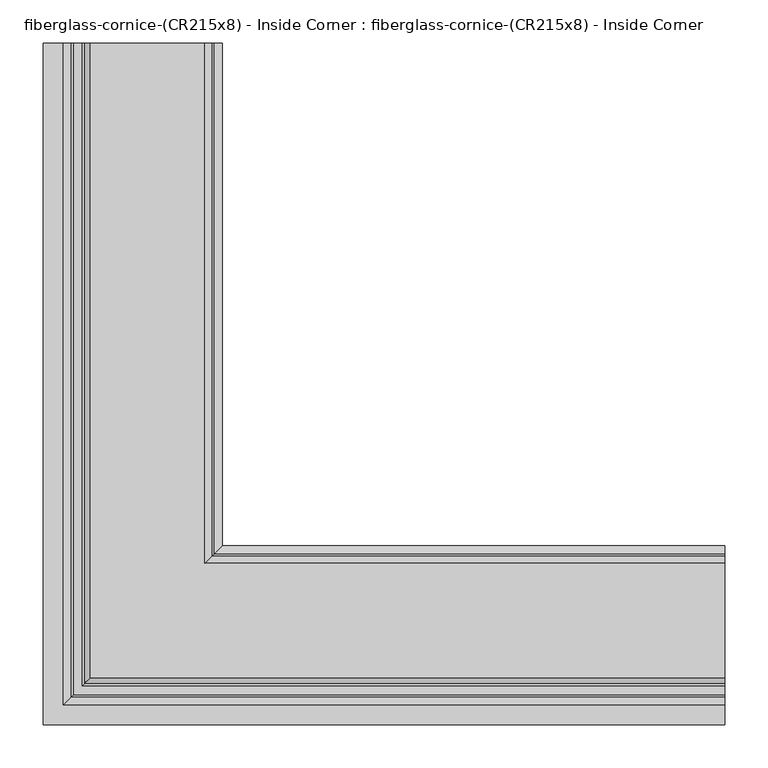
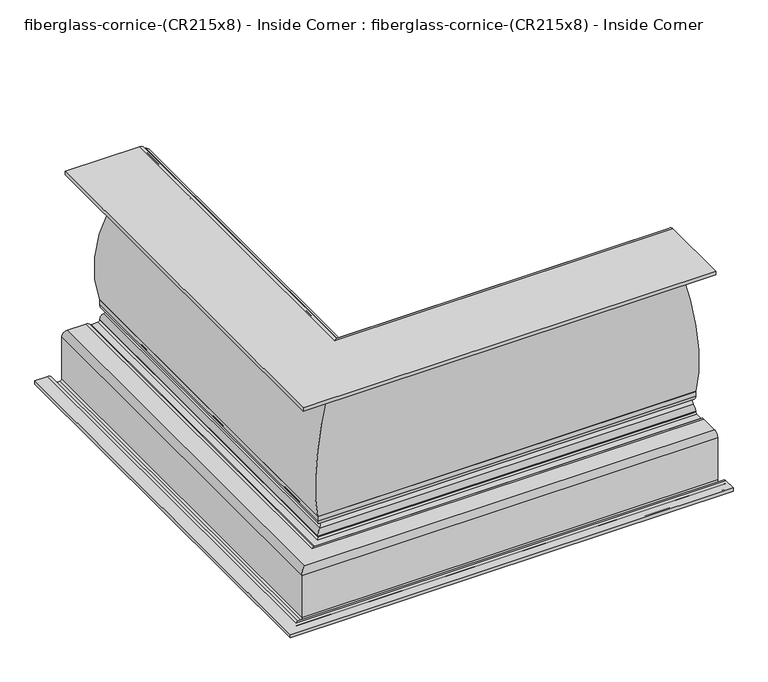
"""IFC4 building model written with IfcOpenShell, lengths in millimetres: furniture geometry, fiberglass-cornice-(CR215x8) - Inside Corner : fiberglass-cornice-(CR215x8) - Inside Corner."""

from ifc_helpers import new_model, si_unit, frame, origin, place, context, project, spatial, polyline, circle_curve, ellipse_curve, source, transform, mapped, element, save
from ifc_brep_helpers import plane_surface, cylinder_surface, revolved_surface, advanced_brep


def fiberglass_cornice_cr215x8_inside_corner_fiberglass_cornice_11849a52(model_context):
    return source(origin(), model_context, "Body", "AdvancedBrep", [
        advanced_brep(
        [(-207.2335432, 888.603125, 330.1999904), (-198.7931331, 888.603125, 325.0891838), (-196.8173143, 888.603125, 323.4980719), (-196.8173143, 888.603125, 297.677331), (-199.1546631, 888.603125, 294.6148214), (-199.1546631, 888.603125, 290.8692838), (-200.4833835, 888.603125, 288.2862862), (-272.2999173, 888.603125, 68.5084098), (-272.140178, 888.603125, 67.5140115), (-272.140178, 888.603125, 58.2311008), (-269.792569, 888.603125, 55.1658033), (-269.792569, 888.603125, 32.9172717), (-272.140178, 888.603125, 29.8519741), (-272.1996682, 888.603125, 28.2040064), (-281.665178, 888.603125, 19.7419033), (-293.7322224, 888.603125, 19.7419033), (-300.8805344, 888.603125, 22.9718846), (-303.2633051, 888.603125, 24.048545), (-336.4165526, 888.603125, 24.048545), (-339.5915526, 888.603125, 20.873545), (-339.5915526, 888.603125, -58.304862), (-349.1165526, 888.603125, -67.829862), (-358.7749938, 888.603125, -67.829862), (-368.2999938, 888.603125, -58.304862), (-368.2999938, 888.603125, -53.9258182), (-371.4749938, 888.603125, -50.7508182), (-393.6999938, 888.603125, -50.7508182), (-393.6999938, 888.603125, -44.4008182), (-371.4749938, 888.603125, -44.4008182), (-361.9499938, 888.603125, -53.9258182), (-361.9499938, 888.603125, -58.304862), (-358.7749938, 888.603125, -61.479862), (-349.1165526, 888.603125, -61.479862), (-345.9415526, 888.603125, -58.304862), (-345.9415526, 888.603125, 20.873545), (-336.4165526, 888.603125, 30.398545), (-303.2633051, 888.603125, 30.398545), (-296.114993, 888.603125, 27.1685637), (-293.7322224, 888.603125, 26.0919033), (-281.665178, 888.603125, 26.0919033), (-278.5540476, 888.603125, 28.6332686), (-278.490178, 888.603125, 29.8519741), (-271.447351, 888.603125, 39.0478668), (-271.447351, 888.603125, 49.0352082), (-278.490178, 888.603125, 58.2311008), (-278.490178, 888.603125, 66.5021977), (-278.6449592, 888.603125, 67.4814337), (-206.7822896, 888.603125, 291.5576289), (-205.4971578, 888.603125, 294.2367745), (-198.4926168, 888.603125, 303.8023503), (-198.4926168, 888.603125, 317.3730526), (-204.4200732, 888.603125, 322.1463882), (-207.2335432, 888.603125, 323.8499904), (-339.5915526, 888.603125, 323.8499904), (-339.5915526, 888.603125, 330.1999904), (393.6999938, 287.6695757, 330.1999904), (393.6999938, 155.3115662, 330.1999904), (393.6999938, 155.3115662, 323.8499904), (393.6999938, 287.6695757, 323.8499904), (393.6999938, 290.4830457, 322.1463882), (393.6999938, 296.4105021, 317.3730526), (393.6999938, 296.4105021, 303.8023503), (393.6999938, 289.405961, 294.2367745), (393.6999938, 288.1208292, 291.5576289), (393.6999938, 216.2581597, 67.4814337), (393.6999938, 216.4129409, 66.5021977), (393.6999938, 216.4129409, 58.2311008), (393.6999938, 223.4557678, 49.0352082), (393.6999938, 223.4557678, 39.0478668), (393.6999938, 216.4129409, 29.8519741), (393.6999938, 216.3490712, 28.6332686), (393.6999938, 213.2379409, 26.0919033), (393.6999938, 201.1708965, 26.0919033), (393.6999938, 198.7881258, 27.1685637), (393.6999938, 191.6398138, 30.398545), (393.6999938, 158.4865662, 30.398545), (393.6999938, 148.9615662, 20.873545), (393.6999938, 148.9615662, -58.304862), (393.6999938, 145.7865662, -61.479862), (393.6999938, 136.128125, -61.479862), (393.6999938, 132.953125, -58.304862), (393.6999938, 132.953125, -53.9258182), (393.6999938, 123.428125, -44.4008182), (393.6999938, 101.203125, -44.4008182), (393.6999938, 101.203125, -50.7508182), (393.6999938, 123.428125, -50.7508182), (393.6999938, 126.603125, -53.9258182), (393.6999938, 126.603125, -58.304862), (393.6999938, 136.128125, -67.829862), (393.6999938, 145.7865662, -67.829862), (393.6999938, 155.3115662, -58.304862), (393.6999938, 155.3115662, 20.873545), (393.6999938, 158.4865662, 24.048545), (393.6999938, 191.6398138, 24.048545), (393.6999938, 194.0225845, 22.9718846), (393.6999938, 201.1708965, 19.7419033), (393.6999938, 213.2379409, 19.7419033), (393.6999938, 222.7034506, 28.2040064), (393.6999938, 222.7629409, 29.8519741), (393.6999938, 225.1105499, 32.9172717), (393.6999938, 225.1105499, 55.1658033), (393.6999938, 222.7629409, 58.2311008), (393.6999938, 222.7629409, 67.5140115), (393.6999938, 222.6032016, 68.5084098), (393.6999938, 294.4197354, 288.2862862), (393.6999938, 295.7484557, 290.8692838), (393.6999938, 295.7484557, 294.6148214), (393.6999938, 298.0858045, 297.677331), (393.6999938, 298.0858045, 323.4980719), (393.6999938, 296.1099857, 325.0891838), (-207.2335432, 287.6695757, 330.1999904), (-198.7931331, 296.1099857, 325.0891838), (-196.8173143, 298.0858045, 323.4980719), (-196.8173143, 298.0858045, 297.677331), (-199.1546631, 295.7484557, 294.6148214), (-199.1546631, 295.7484557, 290.8692838), (-200.4833835, 294.4197354, 288.2862862), (-272.2999173, 222.6032016, 68.5084098), (-272.140178, 222.7629409, 67.5140115), (-272.140178, 222.7629409, 58.2311008), (-269.792569, 225.1105499, 55.1658033), (-269.792569, 225.1105499, 32.9172717), (-272.140178, 222.7629409, 29.8519741), (-272.1996682, 222.7034506, 28.2040064), (-281.665178, 213.2379409, 19.7419033), (-293.7322224, 201.1708965, 19.7419033), (-300.8805344, 194.0225845, 22.9718846), (-303.2633051, 191.6398138, 24.048545), (-336.4165526, 158.4865662, 24.048545), (-339.5915526, 155.3115662, 20.873545), (-339.5915526, 155.3115662, -58.304862), (-349.1165526, 145.7865662, -67.829862), (-358.7749938, 136.128125, -67.829862), (-368.2999938, 126.603125, -58.304862), (-368.2999938, 126.603125, -53.9258182), (-371.4749938, 123.428125, -50.7508182), (-393.6999938, 101.203125, -50.7508182), (-393.6999938, 101.203125, -44.4008182), (-371.4749938, 123.428125, -44.4008182), (-361.9499938, 132.953125, -53.9258182), (-361.9499938, 132.953125, -58.304862), (-358.7749938, 136.128125, -61.479862), (-349.1165526, 145.7865662, -61.479862), (-345.9415526, 148.9615662, -58.304862), (-345.9415526, 148.9615662, 20.873545), (-336.4165526, 158.4865662, 30.398545), (-303.2633051, 191.6398138, 30.398545), (-296.114993, 198.7881258, 27.1685637), (-293.7322224, 201.1708965, 26.0919033), (-281.665178, 213.2379409, 26.0919033), (-278.5540476, 216.3490712, 28.6332686), (-278.490178, 216.4129409, 29.8519741), (-271.447351, 223.4557678, 39.0478668), (-271.447351, 223.4557678, 49.0352082), (-278.490178, 216.4129409, 58.2311008), (-278.490178, 216.4129409, 66.5021977), (-278.6449592, 216.2581597, 67.4814337), (-206.7822896, 288.1208292, 291.5576289), (-205.4971578, 289.405961, 294.2367745), (-198.4926168, 296.4105021, 303.8023503), (-198.4926168, 296.4105021, 317.3730526), (-204.4200732, 290.4830457, 322.1463882), (-207.2335432, 287.6695757, 323.8499904), (-339.5915526, 155.3115662, 323.8499904), (-339.5915526, 155.3115662, 330.1999904)],
        [
            (0, 1, circle_curve(frame((-207.2335432, 888.603125, 320.6749904), z_axis=(0.0, 1.0, 0.0), x_axis=(1.0, 0.0, 0.0)), 9.525)),
            (1, 2, circle_curve(frame((-195.9796631, 888.603125, 326.5605816), z_axis=(0.0, -1.0, 0.0), x_axis=(1.0, 0.0, 0.0)), 3.175)),
            (2, 3, circle_curve(frame((-200.3485318, 888.603125, 310.5877015), z_axis=(0.0, 1.0, 0.0), x_axis=(1.0, 0.0, 0.0)), 13.3845867)),
            (3, 4, circle_curve(frame((-195.9796631, 888.603125, 294.6148214), z_axis=(0.0, -1.0, 0.0), x_axis=(1.0, 0.0, 0.0)), 3.175)),
            (4, 5),
            (5, 6, circle_curve(frame((-202.3296631, 888.603125, 290.8692838), z_axis=(0.0, 1.0, 0.0), x_axis=(1.0, 0.0, 0.0)), 3.175)),
            (6, 7, circle_curve(frame((-87.0569043, 888.603125, 129.5994252), z_axis=(0.0, -1.0, 0.0), x_axis=(1.0, 0.0, 0.0)), 195.0566226)),
            (7, 8, circle_curve(frame((-275.315178, 888.603125, 67.5140115), z_axis=(0.0, 1.0, 0.0), x_axis=(1.0, 0.0, 0.0)), 3.175)),
            (8, 9),
            (9, 10, circle_curve(frame((-268.965178, 888.603125, 58.2311008), z_axis=(0.0, -1.0, 0.0), x_axis=(1.0, 0.0, 0.0)), 3.175)),
            (10, 11, circle_curve(frame((-272.7952522, 888.603125, 44.0415375), z_axis=(0.0, 1.0, 0.0), x_axis=(1.0, 0.0, 0.0)), 11.5223867)),
            (11, 12, circle_curve(frame((-268.965178, 888.603125, 29.8519741), z_axis=(0.0, -1.0, 0.0), x_axis=(1.0, 0.0, 0.0)), 3.175)),
            (12, 13),
            (13, 14, circle_curve(frame((-281.665178, 888.603125, 29.2669033), z_axis=(0.0, 1.0, 0.0), x_axis=(1.0, 0.0, 0.0)), 9.525)),
            (14, 15),
            (15, 16, circle_curve(frame((-293.7322224, 888.603125, 29.2669033), z_axis=(0.0, 1.0, 0.0), x_axis=(1.0, 0.0, 0.0)), 9.525)),
            (16, 17, circle_curve(frame((-303.2633051, 888.603125, 20.873545), z_axis=(0.0, -1.0, 0.0), x_axis=(1.0, 0.0, 0.0)), 3.175)),
            (17, 18),
            (18, 19, circle_curve(frame((-336.4165526, 888.603125, 20.873545), z_axis=(0.0, -1.0, 0.0), x_axis=(1.0, 0.0, 0.0)), 3.175)),
            (19, 20),
            (20, 21, circle_curve(frame((-349.1165526, 888.603125, -58.304862), z_axis=(0.0, 1.0, 0.0), x_axis=(1.0, 0.0, 0.0)), 9.525)),
            (21, 22),
            (22, 23, circle_curve(frame((-358.7749938, 888.603125, -58.304862), z_axis=(0.0, 1.0, 0.0), x_axis=(1.0, 0.0, 0.0)), 9.525)),
            (23, 24),
            (24, 25, circle_curve(frame((-371.4749938, 888.603125, -53.9258182), z_axis=(0.0, -1.0, 0.0), x_axis=(1.0, 0.0, 0.0)), 3.175)),
            (25, 26),
            (26, 27),
            (27, 28),
            (28, 29, circle_curve(frame((-371.4749938, 888.603125, -53.9258182), z_axis=(0.0, 1.0, 0.0), x_axis=(1.0, 0.0, 0.0)), 9.525)),
            (29, 30),
            (30, 31, circle_curve(frame((-358.7749938, 888.603125, -58.304862), z_axis=(0.0, -1.0, 0.0), x_axis=(1.0, 0.0, 0.0)), 3.175)),
            (31, 32),
            (32, 33, circle_curve(frame((-349.1165526, 888.603125, -58.304862), z_axis=(0.0, -1.0, 0.0), x_axis=(1.0, 0.0, 0.0)), 3.175)),
            (33, 34),
            (34, 35, circle_curve(frame((-336.4165526, 888.603125, 20.873545), z_axis=(0.0, 1.0, 0.0), x_axis=(1.0, 0.0, 0.0)), 9.525)),
            (35, 36),
            (36, 37, circle_curve(frame((-303.2633051, 888.603125, 20.873545), z_axis=(0.0, 1.0, 0.0), x_axis=(1.0, 0.0, 0.0)), 9.525)),
            (37, 38, circle_curve(frame((-293.7322224, 888.603125, 29.2669033), z_axis=(0.0, -1.0, 0.0), x_axis=(1.0, 0.0, 0.0)), 3.175)),
            (38, 39),
            (39, 40, circle_curve(frame((-281.665178, 888.603125, 29.2669033), z_axis=(0.0, -1.0, 0.0), x_axis=(1.0, 0.0, 0.0)), 3.175)),
            (40, 41),
            (41, 42, circle_curve(frame((-268.965178, 888.603125, 29.8519741), z_axis=(0.0, 1.0, 0.0), x_axis=(1.0, 0.0, 0.0)), 9.525)),
            (42, 43, circle_curve(frame((-272.7952522, 888.603125, 44.0415375), z_axis=(0.0, -1.0, 0.0), x_axis=(1.0, 0.0, 0.0)), 5.1723867)),
            (43, 44, circle_curve(frame((-268.965178, 888.603125, 58.2311008), z_axis=(0.0, 1.0, 0.0), x_axis=(1.0, 0.0, 0.0)), 9.525)),
            (44, 45),
            (45, 46, circle_curve(frame((-281.665178, 888.603125, 66.5021977), z_axis=(0.0, -1.0, 0.0), x_axis=(1.0, 0.0, 0.0)), 3.175)),
            (46, 47, circle_curve(frame((-87.0569043, 888.603125, 129.5994252), z_axis=(0.0, 1.0, 0.0), x_axis=(1.0, 0.0, 0.0)), 201.4066226)),
            (47, 48, circle_curve(frame((-208.6696561, 888.603125, 294.1107589), z_axis=(0.0, -1.0, 0.0), x_axis=(1.0, 0.0, 0.0)), 3.175)),
            (48, 49, circle_curve(frame((-195.9796631, 888.603125, 294.6148214), z_axis=(0.0, 1.0, 0.0), x_axis=(1.0, 0.0, 0.0)), 9.525)),
            (49, 50, circle_curve(frame((-200.3485318, 888.603125, 310.5877015), z_axis=(0.0, -1.0, 0.0), x_axis=(1.0, 0.0, 0.0)), 7.0345867)),
            (50, 51, circle_curve(frame((-195.9796631, 888.603125, 326.5605816), z_axis=(0.0, 1.0, 0.0), x_axis=(1.0, 0.0, 0.0)), 9.525)),
            (51, 52, circle_curve(frame((-207.2335432, 888.603125, 320.6749904), z_axis=(0.0, -1.0, 0.0), x_axis=(1.0, 0.0, 0.0)), 3.175)),
            (52, 53),
            (53, 54),
            (54, 0),
            (55, 56),
            (56, 57),
            (57, 58),
            (58, 59, circle_curve(frame((393.6999938, 287.6695757, 320.6749904), z_axis=(-1.0, 0.0, 0.0), x_axis=(0.0, 1.0, 0.0)), 3.175)),
            (59, 60, circle_curve(frame((393.6999938, 298.9234557, 326.5605816), z_axis=(1.0, 0.0, 0.0), x_axis=(0.0, 1.0, 0.0)), 9.525)),
            (60, 61, circle_curve(frame((393.6999938, 294.5545871, 310.5877015), z_axis=(-1.0, 0.0, 0.0), x_axis=(0.0, 1.0, 0.0)), 7.0345867)),
            (61, 62, circle_curve(frame((393.6999938, 298.9234557, 294.6148214), z_axis=(1.0, 0.0, 0.0), x_axis=(0.0, 1.0, 0.0)), 9.525)),
            (62, 63, circle_curve(frame((393.6999938, 286.2334628, 294.1107589), z_axis=(-1.0, 0.0, 0.0), x_axis=(0.0, 1.0, 0.0)), 3.175)),
            (63, 64, circle_curve(frame((393.6999938, 407.8462146, 129.5994252), z_axis=(1.0, 0.0, 0.0), x_axis=(0.0, 1.0, 0.0)), 201.4066226)),
            (64, 65, circle_curve(frame((393.6999938, 213.2379409, 66.5021977), z_axis=(-1.0, 0.0, 0.0), x_axis=(0.0, 1.0, 0.0)), 3.175)),
            (65, 66),
            (66, 67, circle_curve(frame((393.6999938, 225.9379409, 58.2311008), z_axis=(1.0, 0.0, 0.0), x_axis=(0.0, 1.0, 0.0)), 9.525)),
            (67, 68, circle_curve(frame((393.6999938, 222.1078666, 44.0415375), z_axis=(-1.0, 0.0, 0.0), x_axis=(0.0, 1.0, 0.0)), 5.1723867)),
            (68, 69, circle_curve(frame((393.6999938, 225.9379409, 29.8519741), z_axis=(1.0, 0.0, 0.0), x_axis=(0.0, 1.0, 0.0)), 9.525)),
            (69, 70),
            (70, 71, circle_curve(frame((393.6999938, 213.2379409, 29.2669033), z_axis=(-1.0, 0.0, 0.0), x_axis=(0.0, 1.0, 0.0)), 3.175)),
            (71, 72),
            (72, 73, circle_curve(frame((393.6999938, 201.1708965, 29.2669033), z_axis=(-1.0, 0.0, 0.0), x_axis=(0.0, 1.0, 0.0)), 3.175)),
            (73, 74, circle_curve(frame((393.6999938, 191.6398138, 20.873545), z_axis=(1.0, 0.0, 0.0), x_axis=(0.0, 1.0, 0.0)), 9.525)),
            (74, 75),
            (75, 76, circle_curve(frame((393.6999938, 158.4865662, 20.873545), z_axis=(1.0, 0.0, 0.0), x_axis=(0.0, 1.0, 0.0)), 9.525)),
            (76, 77),
            (77, 78, circle_curve(frame((393.6999938, 145.7865662, -58.304862), z_axis=(-1.0, 0.0, 0.0), x_axis=(0.0, 1.0, 0.0)), 3.175)),
            (78, 79),
            (79, 80, circle_curve(frame((393.6999938, 136.128125, -58.304862), z_axis=(-1.0, 0.0, 0.0), x_axis=(0.0, 1.0, 0.0)), 3.175)),
            (80, 81),
            (81, 82, circle_curve(frame((393.6999938, 123.428125, -53.9258182), z_axis=(1.0, 0.0, 0.0), x_axis=(0.0, 1.0, 0.0)), 9.525)),
            (82, 83),
            (83, 84),
            (84, 85),
            (85, 86, circle_curve(frame((393.6999938, 123.428125, -53.9258182), z_axis=(-1.0, 0.0, 0.0), x_axis=(0.0, 1.0, 0.0)), 3.175)),
            (86, 87),
            (87, 88, circle_curve(frame((393.6999938, 136.128125, -58.304862), z_axis=(1.0, 0.0, 0.0), x_axis=(0.0, 1.0, 0.0)), 9.525)),
            (88, 89),
            (89, 90, circle_curve(frame((393.6999938, 145.7865662, -58.304862), z_axis=(1.0, 0.0, 0.0), x_axis=(0.0, 1.0, 0.0)), 9.525)),
            (90, 91),
            (91, 92, circle_curve(frame((393.6999938, 158.4865662, 20.873545), z_axis=(-1.0, 0.0, 0.0), x_axis=(0.0, 1.0, 0.0)), 3.175)),
            (92, 93),
            (93, 94, circle_curve(frame((393.6999938, 191.6398138, 20.873545), z_axis=(-1.0, 0.0, 0.0), x_axis=(0.0, 1.0, 0.0)), 3.175)),
            (94, 95, circle_curve(frame((393.6999938, 201.1708965, 29.2669033), z_axis=(1.0, 0.0, 0.0), x_axis=(0.0, 1.0, 0.0)), 9.525)),
            (95, 96),
            (96, 97, circle_curve(frame((393.6999938, 213.2379409, 29.2669033), z_axis=(1.0, 0.0, 0.0), x_axis=(0.0, 1.0, 0.0)), 9.525)),
            (97, 98),
            (98, 99, circle_curve(frame((393.6999938, 225.9379409, 29.8519741), z_axis=(-1.0, 0.0, 0.0), x_axis=(0.0, 1.0, 0.0)), 3.175)),
            (99, 100, circle_curve(frame((393.6999938, 222.1078666, 44.0415375), z_axis=(1.0, 0.0, 0.0), x_axis=(0.0, 1.0, 0.0)), 11.5223867)),
            (100, 101, circle_curve(frame((393.6999938, 225.9379409, 58.2311008), z_axis=(-1.0, 0.0, 0.0), x_axis=(0.0, 1.0, 0.0)), 3.175)),
            (101, 102),
            (102, 103, circle_curve(frame((393.6999938, 219.5879409, 67.5140115), z_axis=(1.0, 0.0, 0.0), x_axis=(0.0, 1.0, 0.0)), 3.175)),
            (103, 104, circle_curve(frame((393.6999938, 407.8462146, 129.5994252), z_axis=(-1.0, 0.0, 0.0), x_axis=(0.0, 1.0, 0.0)), 195.0566226)),
            (104, 105, circle_curve(frame((393.6999938, 292.5734557, 290.8692838), z_axis=(1.0, 0.0, 0.0), x_axis=(0.0, 1.0, 0.0)), 3.175)),
            (105, 106),
            (106, 107, circle_curve(frame((393.6999938, 298.9234557, 294.6148214), z_axis=(-1.0, 0.0, 0.0), x_axis=(0.0, 1.0, 0.0)), 3.175)),
            (107, 108, circle_curve(frame((393.6999938, 294.5545871, 310.5877015), z_axis=(1.0, 0.0, 0.0), x_axis=(0.0, 1.0, 0.0)), 13.3845867)),
            (108, 109, circle_curve(frame((393.6999938, 298.9234557, 326.5605816), z_axis=(-1.0, 0.0, 0.0), x_axis=(0.0, 1.0, 0.0)), 3.175)),
            (109, 55, circle_curve(frame((393.6999938, 287.6695757, 320.6749904), z_axis=(1.0, 0.0, 0.0), x_axis=(0.0, 1.0, 0.0)), 9.525)),
            (0, 110),
            (110, 111, ellipse_curve(frame((-207.2335432, 287.6695757, 320.6749904), z_axis=(-0.7071067811865475, 0.7071067811865475, 0.0), x_axis=(0.7071067811865474, 0.7071067811865476, 0.0)), 13.4703842, 9.525)),
            (111, 1),
            (111, 112, ellipse_curve(frame((-195.9796631, 298.9234557, 326.5605816), z_axis=(0.7071067811865475, -0.7071067811865475, 0.0), x_axis=(-0.7071067811865474, -0.7071067811865476, 0.0)), 4.4901281, 3.175)),
            (112, 2),
            (112, 113, ellipse_curve(frame((-200.3485318, 294.5545871, 310.5877015), z_axis=(-0.7071067811865475, 0.7071067811865475, 0.0), x_axis=(0.7071067811865474, 0.7071067811865476, 0.0)), 18.9286641, 13.3845867)),
            (113, 3),
            (113, 114, ellipse_curve(frame((-195.9796631, 298.9234557, 294.6148214), z_axis=(0.7071067811865475, -0.7071067811865475, 0.0), x_axis=(-0.7071067811865474, -0.7071067811865476, 0.0)), 4.4901281, 3.175)),
            (114, 4),
            (114, 115),
            (115, 5),
            (115, 116, ellipse_curve(frame((-202.3296631, 292.5734557, 290.8692838), z_axis=(-0.7071067811865475, 0.7071067811865475, 0.0), x_axis=(0.7071067811865474, 0.7071067811865476, 0.0)), 4.4901281, 3.175)),
            (116, 6),
            (116, 117, ellipse_curve(frame((-87.0569043, 407.8462146, 129.5994252), z_axis=(0.7071067811865475, -0.7071067811865475, 0.0), x_axis=(-0.7071067811865474, -0.7071067811865476, 0.0)), 275.8517212, 195.0566226)),
            (117, 7),
            (117, 118, ellipse_curve(frame((-275.315178, 219.5879409, 67.5140115), z_axis=(-0.7071067811865475, 0.7071067811865475, 0.0), x_axis=(0.7071067811865474, 0.7071067811865476, 0.0)), 4.4901281, 3.175)),
            (118, 8),
            (118, 119),
            (119, 9),
            (119, 120, ellipse_curve(frame((-268.965178, 225.9379409, 58.2311008), z_axis=(0.7071067811865475, -0.7071067811865475, 0.0), x_axis=(-0.7071067811865474, -0.7071067811865476, 0.0)), 4.4901281, 3.175)),
            (120, 10),
            (120, 121, ellipse_curve(frame((-272.7952522, 222.1078666, 44.0415375), z_axis=(-0.7071067811865475, 0.7071067811865475, 0.0), x_axis=(0.7071067811865474, 0.7071067811865476, 0.0)), 16.2951156, 11.5223867)),
            (121, 11),
            (121, 122, ellipse_curve(frame((-268.965178, 225.9379409, 29.8519741), z_axis=(0.7071067811865475, -0.7071067811865475, 0.0), x_axis=(-0.7071067811865474, -0.7071067811865476, 0.0)), 4.4901281, 3.175)),
            (122, 12),
            (122, 123),
            (123, 13),
            (123, 124, ellipse_curve(frame((-281.665178, 213.2379409, 29.2669033), z_axis=(-0.7071067811865475, 0.7071067811865475, 0.0), x_axis=(0.7071067811865474, 0.7071067811865476, 0.0)), 13.4703842, 9.525)),
            (124, 14),
            (124, 96),
            (95, 125),
            (125, 15),
            (125, 126, ellipse_curve(frame((-293.7322224, 201.1708965, 29.2669033), z_axis=(-0.7071067811865475, 0.7071067811865475, 0.0), x_axis=(0.7071067811865474, 0.7071067811865476, 0.0)), 13.4703842, 9.525)),
            (126, 16),
            (126, 127, ellipse_curve(frame((-303.2633051, 191.6398138, 20.873545), z_axis=(0.7071067811865475, -0.7071067811865475, 0.0), x_axis=(-0.7071067811865474, -0.7071067811865476, 0.0)), 4.4901281, 3.175)),
            (127, 17),
            (127, 93),
            (92, 128),
            (128, 18),
            (128, 129, ellipse_curve(frame((-336.4165526, 158.4865662, 20.873545), z_axis=(0.7071067811865475, -0.7071067811865475, 0.0), x_axis=(-0.7071067811865474, -0.7071067811865476, 0.0)), 4.4901281, 3.175)),
            (129, 19),
            (129, 130),
            (130, 20),
            (130, 131, ellipse_curve(frame((-349.1165526, 145.7865662, -58.304862), z_axis=(-0.7071067811865475, 0.7071067811865475, 0.0), x_axis=(0.7071067811865474, 0.7071067811865476, 0.0)), 13.4703842, 9.525)),
            (131, 21),
            (131, 89),
            (88, 132),
            (132, 22),
            (132, 133, ellipse_curve(frame((-358.7749938, 136.128125, -58.304862), z_axis=(-0.7071067811865475, 0.7071067811865475, 0.0), x_axis=(0.7071067811865474, 0.7071067811865476, 0.0)), 13.4703842, 9.525)),
            (133, 23),
            (133, 134),
            (134, 24),
            (134, 135, ellipse_curve(frame((-371.4749938, 123.428125, -53.9258182), z_axis=(0.7071067811865475, -0.7071067811865475, 0.0), x_axis=(-0.7071067811865474, -0.7071067811865476, 0.0)), 4.4901281, 3.175)),
            (135, 25),
            (135, 85),
            (84, 136),
            (136, 26),
            (136, 137),
            (137, 27),
            (137, 83),
            (82, 138),
            (138, 28),
            (138, 139, ellipse_curve(frame((-371.4749938, 123.428125, -53.9258182), z_axis=(-0.7071067811865475, 0.7071067811865475, 0.0), x_axis=(0.7071067811865474, 0.7071067811865476, 0.0)), 13.4703842, 9.525)),
            (139, 29),
            (139, 140),
            (140, 30),
            (140, 141, ellipse_curve(frame((-358.7749938, 136.128125, -58.304862), z_axis=(0.7071067811865475, -0.7071067811865475, 0.0), x_axis=(-0.7071067811865474, -0.7071067811865476, 0.0)), 4.4901281, 3.175)),
            (141, 31),
            (141, 79),
            (78, 142),
            (142, 32),
            (142, 143, ellipse_curve(frame((-349.1165526, 145.7865662, -58.304862), z_axis=(0.7071067811865475, -0.7071067811865475, 0.0), x_axis=(-0.7071067811865474, -0.7071067811865476, 0.0)), 4.4901281, 3.175)),
            (143, 33),
            (143, 144),
            (144, 34),
            (144, 145, ellipse_curve(frame((-336.4165526, 158.4865662, 20.873545), z_axis=(-0.7071067811865475, 0.7071067811865475, 0.0), x_axis=(0.7071067811865474, 0.7071067811865476, 0.0)), 13.4703842, 9.525)),
            (145, 35),
            (145, 75),
            (74, 146),
            (146, 36),
            (146, 147, ellipse_curve(frame((-303.2633051, 191.6398138, 20.873545), z_axis=(-0.7071067811865475, 0.7071067811865475, 0.0), x_axis=(0.7071067811865474, 0.7071067811865476, 0.0)), 13.4703842, 9.525)),
            (147, 37),
            (147, 148, ellipse_curve(frame((-293.7322224, 201.1708965, 29.2669033), z_axis=(0.7071067811865475, -0.7071067811865475, 0.0), x_axis=(-0.7071067811865474, -0.7071067811865476, 0.0)), 4.4901281, 3.175)),
            (148, 38),
            (148, 72),
            (71, 149),
            (149, 39),
            (149, 150, ellipse_curve(frame((-281.665178, 213.2379409, 29.2669033), z_axis=(0.7071067811865475, -0.7071067811865475, 0.0), x_axis=(-0.7071067811865474, -0.7071067811865476, 0.0)), 4.4901281, 3.175)),
            (150, 40),
            (150, 151),
            (151, 41),
            (151, 152, ellipse_curve(frame((-268.965178, 225.9379409, 29.8519741), z_axis=(-0.7071067811865475, 0.7071067811865475, 0.0), x_axis=(0.7071067811865474, 0.7071067811865476, 0.0)), 13.4703842, 9.525)),
            (152, 42),
            (152, 153, ellipse_curve(frame((-272.7952522, 222.1078666, 44.0415375), z_axis=(0.7071067811865475, -0.7071067811865475, 0.0), x_axis=(-0.7071067811865474, -0.7071067811865476, 0.0)), 7.3148595, 5.1723867)),
            (153, 43),
            (153, 154, ellipse_curve(frame((-268.965178, 225.9379409, 58.2311008), z_axis=(-0.7071067811865475, 0.7071067811865475, 0.0), x_axis=(0.7071067811865474, 0.7071067811865476, 0.0)), 13.4703842, 9.525)),
            (154, 44),
            (154, 155),
            (155, 45),
            (155, 156, ellipse_curve(frame((-281.665178, 213.2379409, 66.5021977), z_axis=(0.7071067811865475, -0.7071067811865475, 0.0), x_axis=(-0.7071067811865474, -0.7071067811865476, 0.0)), 4.4901281, 3.175)),
            (156, 46),
            (156, 157, ellipse_curve(frame((-87.0569043, 407.8462146, 129.5994252), z_axis=(-0.7071067811865475, 0.7071067811865475, 0.0), x_axis=(0.7071067811865474, 0.7071067811865476, 0.0)), 284.8319773, 201.4066226)),
            (157, 47),
            (157, 158, ellipse_curve(frame((-208.6696561, 286.2334628, 294.1107589), z_axis=(0.7071067811865475, -0.7071067811865475, 0.0), x_axis=(-0.7071067811865474, -0.7071067811865476, 0.0)), 4.4901281, 3.175)),
            (158, 48),
            (158, 159, ellipse_curve(frame((-195.9796631, 298.9234557, 294.6148214), z_axis=(-0.7071067811865475, 0.7071067811865475, 0.0), x_axis=(0.7071067811865474, 0.7071067811865476, 0.0)), 13.4703842, 9.525)),
            (159, 49),
            (159, 160, ellipse_curve(frame((-200.3485318, 294.5545871, 310.5877015), z_axis=(0.7071067811865475, -0.7071067811865475, 0.0), x_axis=(-0.7071067811865474, -0.7071067811865476, 0.0)), 9.948408, 7.0345867)),
            (160, 50),
            (160, 161, ellipse_curve(frame((-195.9796631, 298.9234557, 326.5605816), z_axis=(-0.7071067811865475, 0.7071067811865475, 0.0), x_axis=(0.7071067811865474, 0.7071067811865476, 0.0)), 13.4703842, 9.525)),
            (161, 51),
            (161, 162, ellipse_curve(frame((-207.2335432, 287.6695757, 320.6749904), z_axis=(0.7071067811865475, -0.7071067811865475, 0.0), x_axis=(-0.7071067811865474, -0.7071067811865476, 0.0)), 4.4901281, 3.175)),
            (162, 52),
            (162, 58),
            (57, 163),
            (163, 53),
            (163, 164),
            (164, 54),
            (164, 56),
            (55, 110),
            (109, 111),
            (108, 112),
            (107, 113),
            (106, 114),
            (105, 115),
            (104, 116),
            (103, 117),
            (102, 118),
            (101, 119),
            (100, 120),
            (99, 121),
            (98, 122),
            (97, 123),
            (94, 126),
            (91, 129),
            (90, 130),
            (87, 133),
            (86, 134),
            (81, 139),
            (80, 140),
            (77, 143),
            (76, 144),
            (73, 147),
            (70, 150),
            (69, 151),
            (68, 152),
            (67, 153),
            (66, 154),
            (65, 155),
            (64, 156),
            (63, 157),
            (62, 158),
            (61, 159),
            (60, 160),
            (59, 161),
        ],
        [
            plane_surface(frame((-393.6999938, 888.603125, 330.1999904), z_axis=(0.0, 1.0, 0.0), x_axis=(0.0, 0.0, 1.0))),
            plane_surface(frame((393.6999938, 101.203125, 330.1999904), z_axis=(1.0, 0.0, 0.0), x_axis=(0.0, 0.0, 1.0))),
            cylinder_surface(frame((-207.2335432, 888.603125, 320.6749904), z_axis=(0.0, 1.0, 0.0), x_axis=(1.0, 0.0, 0.0)), 9.525),
            revolved_surface(polyline([(-192.8046631, 295.74845567209366, 326.5605816), (-192.8046631, 888.603125, 326.5605816)]), (-195.9796631, 888.603125, 326.5605816), (0.0, -1.0, 0.0)),
            cylinder_surface(frame((-200.3485318, 888.603125, 310.5877015), z_axis=(0.0, 1.0, 0.0), x_axis=(1.0, 0.0, 0.0)), 13.3845867),
            revolved_surface(polyline([(-192.8046631, 295.74845567209366, 294.6148214), (-192.8046631, 888.603125, 294.6148214)]), (-195.9796631, 888.603125, 294.6148214), (0.0, -1.0, 0.0)),
            plane_surface(frame((-199.1546631, 888.603125, 294.6148214), z_axis=(1.0, 0.0, 0.0), x_axis=(0.0, -1.0, 0.0))),
            cylinder_surface(frame((-202.3296631, 888.603125, 290.8692838), z_axis=(0.0, 1.0, 0.0), x_axis=(1.0, 0.0, 0.0)), 3.175),
            revolved_surface(polyline([(107.9997183, 212.78959193749904, 129.5994252), (107.9997183, 888.603125, 129.5994252)]), (-87.0569043, 888.603125, 129.5994252), (0.0, -1.0, 0.0)),
            cylinder_surface(frame((-275.315178, 888.603125, 67.5140115), z_axis=(0.0, 1.0, 0.0), x_axis=(1.0, 0.0, 0.0)), 3.175),
            plane_surface(frame((-272.140178, 888.603125, 67.5140115), z_axis=(1.0, 0.0, 0.0), x_axis=(0.0, -1.0, 0.0))),
            revolved_surface(polyline([(-265.79017799999997, 222.76294087209362, 58.2311008), (-265.79017799999997, 888.603125, 58.2311008)]), (-268.965178, 888.603125, 58.2311008), (0.0, -1.0, 0.0)),
            cylinder_surface(frame((-272.7952522, 888.603125, 44.0415375), z_axis=(0.0, 1.0, 0.0), x_axis=(1.0, 0.0, 0.0)), 11.5223867),
            revolved_surface(polyline([(-265.79017799999997, 222.76294087209362, 29.8519741), (-265.79017799999997, 888.603125, 29.8519741)]), (-268.965178, 888.603125, 29.8519741), (0.0, -1.0, 0.0)),
            plane_surface(frame((-272.140178, 888.603125, 29.8519741), z_axis=(0.9993490619458357, 0.0, -0.03607564812970499), x_axis=(0.0, -1.0, 0.0))),
            cylinder_surface(frame((-281.665178, 888.603125, 29.2669033), z_axis=(0.0, 1.0, 0.0), x_axis=(1.0, 0.0, 0.0)), 9.525),
            plane_surface(frame((-281.665178, 888.603125, 19.7419033), z_axis=(0.0, 0.0, -1.0), x_axis=(0.0, -1.0, 0.0))),
            cylinder_surface(frame((-293.7322224, 888.603125, 29.2669033), z_axis=(0.0, 1.0, 0.0), x_axis=(1.0, 0.0, 0.0)), 9.525),
            revolved_surface(polyline([(-300.0883051, 188.46481377209375, 20.873545), (-300.0883051, 888.603125, 20.873545)]), (-303.2633051, 888.603125, 20.873545), (0.0, -1.0, 0.0)),
            plane_surface(frame((-303.2633051, 888.603125, 24.048545), z_axis=(0.0, 0.0, -1.0), x_axis=(0.0, -1.0, 0.0))),
            revolved_surface(polyline([(-333.2415526, 155.31156617209365, 20.873545), (-333.2415526, 888.603125, 20.873545)]), (-336.4165526, 888.603125, 20.873545), (0.0, -1.0, 0.0)),
            plane_surface(frame((-339.5915526, 888.603125, 20.873545), z_axis=(1.0, 0.0, 0.0), x_axis=(0.0, -1.0, 0.0))),
            cylinder_surface(frame((-349.1165526, 888.603125, -58.304862), z_axis=(0.0, 1.0, 0.0), x_axis=(1.0, 0.0, 0.0)), 9.525),
            plane_surface(frame((-349.1165526, 888.603125, -67.829862), z_axis=(0.0, 0.0, -1.0), x_axis=(0.0, -1.0, 0.0))),
            cylinder_surface(frame((-358.7749938, 888.603125, -58.304862), z_axis=(0.0, 1.0, 0.0), x_axis=(1.0, 0.0, 0.0)), 9.525),
            plane_surface(frame((-368.2999938, 888.603125, -58.304862), z_axis=(-1.0, 0.0, 0.0), x_axis=(0.0, -1.0, 0.0))),
            revolved_surface(polyline([(-368.2999938, 120.2531249720937, -53.9258182), (-368.2999938, 888.603125, -53.9258182)]), (-371.4749938, 888.603125, -53.9258182), (0.0, -1.0, 0.0)),
            plane_surface(frame((-371.4749938, 888.603125, -50.7508182), z_axis=(0.0, 0.0, -1.0), x_axis=(0.0, -1.0, 0.0))),
            plane_surface(frame((-393.6999938, 888.603125, -50.7508182), z_axis=(-1.0, 0.0, 0.0), x_axis=(0.0, -1.0, 0.0))),
            plane_surface(frame((-393.6999938, 888.603125, -44.4008182), z_axis=(0.0, 0.0, 1.0), x_axis=(0.0, -1.0, 0.0))),
            cylinder_surface(frame((-371.4749938, 888.603125, -53.9258182), z_axis=(0.0, 1.0, 0.0), x_axis=(1.0, 0.0, 0.0)), 9.525),
            plane_surface(frame((-361.9499938, 888.603125, -53.9258182), z_axis=(1.0, 0.0, 0.0), x_axis=(0.0, -1.0, 0.0))),
            revolved_surface(polyline([(-355.5999938, 132.95312497209375, -58.304862), (-355.5999938, 888.603125, -58.304862)]), (-358.7749938, 888.603125, -58.304862), (0.0, -1.0, 0.0)),
            plane_surface(frame((-358.7749938, 888.603125, -61.479862), z_axis=(0.0, 0.0, 1.0), x_axis=(0.0, -1.0, 0.0))),
            revolved_surface(polyline([(-345.94155259999997, 142.61156617209372, -58.304862), (-345.94155259999997, 888.603125, -58.304862)]), (-349.1165526, 888.603125, -58.304862), (0.0, -1.0, 0.0)),
            plane_surface(frame((-345.9415526, 888.603125, -58.304862), z_axis=(-1.0, 0.0, 0.0), x_axis=(0.0, -1.0, 0.0))),
            cylinder_surface(frame((-336.4165526, 888.603125, 20.873545), z_axis=(0.0, 1.0, 0.0), x_axis=(1.0, 0.0, 0.0)), 9.525),
            plane_surface(frame((-336.4165526, 888.603125, 30.398545), z_axis=(0.0, 0.0, 1.0), x_axis=(0.0, -1.0, 0.0))),
            cylinder_surface(frame((-303.2633051, 888.603125, 20.873545), z_axis=(0.0, 1.0, 0.0), x_axis=(1.0, 0.0, 0.0)), 9.525),
            revolved_surface(polyline([(-290.5572224, 197.9958964720937, 29.2669033), (-290.5572224, 888.603125, 29.2669033)]), (-293.7322224, 888.603125, 29.2669033), (0.0, -1.0, 0.0)),
            plane_surface(frame((-293.7322224, 888.603125, 26.0919033), z_axis=(0.0, 0.0, 1.0), x_axis=(0.0, -1.0, 0.0))),
            revolved_surface(polyline([(-278.490178, 210.0629408720937, 29.2669033), (-278.490178, 888.603125, 29.2669033)]), (-281.665178, 888.603125, 29.2669033), (0.0, -1.0, 0.0)),
            plane_surface(frame((-278.5540476, 888.603125, 28.6332686), z_axis=(-0.9986295347545712, 0.0, 0.05233595624299638), x_axis=(0.0, -1.0, 0.0))),
            cylinder_surface(frame((-268.965178, 888.603125, 29.8519741), z_axis=(0.0, 1.0, 0.0), x_axis=(1.0, 0.0, 0.0)), 9.525),
            revolved_surface(polyline([(-267.6228655, 216.93547984412317, 44.0415375), (-267.6228655, 888.603125, 44.0415375)]), (-272.7952522, 888.603125, 44.0415375), (0.0, -1.0, 0.0)),
            cylinder_surface(frame((-268.965178, 888.603125, 58.2311008), z_axis=(0.0, 1.0, 0.0), x_axis=(1.0, 0.0, 0.0)), 9.525),
            plane_surface(frame((-278.490178, 888.603125, 58.2311008), z_axis=(-1.0, 0.0, 0.0), x_axis=(0.0, -1.0, 0.0))),
            revolved_surface(polyline([(-278.490178, 210.0629408720937, 66.5021977), (-278.490178, 888.603125, 66.5021977)]), (-281.665178, 888.603125, 66.5021977), (0.0, -1.0, 0.0)),
            cylinder_surface(frame((-87.0569043, 888.603125, 129.5994252), z_axis=(0.0, 1.0, 0.0), x_axis=(1.0, 0.0, 0.0)), 201.4066226),
            revolved_surface(polyline([(-205.4946561, 283.05846277209366, 294.1107589), (-205.4946561, 888.603125, 294.1107589)]), (-208.6696561, 888.603125, 294.1107589), (0.0, -1.0, 0.0)),
            cylinder_surface(frame((-195.9796631, 888.603125, 294.6148214), z_axis=(0.0, 1.0, 0.0), x_axis=(1.0, 0.0, 0.0)), 9.525),
            revolved_surface(polyline([(-193.31394509999998, 287.52000034118953, 310.5877015), (-193.31394509999998, 888.603125, 310.5877015)]), (-200.3485318, 888.603125, 310.5877015), (0.0, -1.0, 0.0)),
            cylinder_surface(frame((-195.9796631, 888.603125, 326.5605816), z_axis=(0.0, 1.0, 0.0), x_axis=(1.0, 0.0, 0.0)), 9.525),
            revolved_surface(polyline([(-204.0585432, 284.4945756720937, 320.6749904), (-204.0585432, 888.603125, 320.6749904)]), (-207.2335432, 888.603125, 320.6749904), (0.0, -1.0, 0.0)),
            plane_surface(frame((-207.2335432, 888.603125, 323.8499904), z_axis=(0.0, 0.0, -1.0), x_axis=(0.0, -1.0, 0.0))),
            plane_surface(frame((-339.5915526, 888.603125, 323.8499904), z_axis=(-1.0, 0.0, 0.0), x_axis=(0.0, -1.0, 0.0))),
            plane_surface(frame((-339.5915526, 888.603125, 330.1999904), z_axis=(0.0, 0.0, 1.0), x_axis=(0.0, -1.0, 0.0))),
            cylinder_surface(frame((-393.6999938, 287.6695757, 320.6749904), z_axis=(-1.0, 0.0, 0.0), x_axis=(0.0, 1.0, 0.0)), 9.525),
            revolved_surface(polyline([(393.6999938, 302.0984557, 326.5605816), (-199.15466312790628, 302.0984557, 326.5605816)]), (-393.6999938, 298.9234557, 326.5605816), (1.0, 0.0, 0.0)),
            cylinder_surface(frame((-393.6999938, 294.5545871, 310.5877015), z_axis=(-1.0, 0.0, 0.0), x_axis=(0.0, 1.0, 0.0)), 13.3845867),
            revolved_surface(polyline([(393.6999938, 302.0984557, 294.6148214), (-199.15466312790628, 302.0984557, 294.6148214)]), (-393.6999938, 298.9234557, 294.6148214), (1.0, 0.0, 0.0)),
            plane_surface(frame((-199.1546631, 295.7484557, 294.6148214), z_axis=(0.0, 1.0, 0.0), x_axis=(1.0, 0.0, 0.0))),
            cylinder_surface(frame((-393.6999938, 292.5734557, 290.8692838), z_axis=(-1.0, 0.0, 0.0), x_axis=(0.0, 1.0, 0.0)), 3.175),
            revolved_surface(polyline([(393.6999938, 602.9028372, 129.5994252), (-282.1135269625008, 602.9028372, 129.5994252)]), (-393.6999938, 407.8462146, 129.5994252), (1.0, 0.0, 0.0)),
            cylinder_surface(frame((-393.6999938, 219.5879409, 67.5140115), z_axis=(-1.0, 0.0, 0.0), x_axis=(0.0, 1.0, 0.0)), 3.175),
            plane_surface(frame((-272.140178, 222.7629409, 67.5140115), z_axis=(0.0, 1.0, 0.0), x_axis=(1.0, 0.0, 0.0))),
            revolved_surface(polyline([(393.6999938, 229.1129409, 58.2311008), (-272.14017802790625, 229.1129409, 58.2311008)]), (-393.6999938, 225.9379409, 58.2311008), (1.0, 0.0, 0.0)),
            cylinder_surface(frame((-393.6999938, 222.1078666, 44.0415375), z_axis=(-1.0, 0.0, 0.0), x_axis=(0.0, 1.0, 0.0)), 11.5223867),
            revolved_surface(polyline([(393.6999938, 229.1129409, 29.8519741), (-272.14017802790625, 229.1129409, 29.8519741)]), (-393.6999938, 225.9379409, 29.8519741), (1.0, 0.0, 0.0)),
            plane_surface(frame((-272.140178, 222.7629409, 29.8519741), z_axis=(0.0, 0.9993490619458357, -0.03607564812970499), x_axis=(1.0, 0.0, 0.0))),
            cylinder_surface(frame((-393.6999938, 213.2379409, 29.2669033), z_axis=(-1.0, 0.0, 0.0), x_axis=(0.0, 1.0, 0.0)), 9.525),
            cylinder_surface(frame((-393.6999938, 201.1708965, 29.2669033), z_axis=(-1.0, 0.0, 0.0), x_axis=(0.0, 1.0, 0.0)), 9.525),
            revolved_surface(polyline([(393.6999938, 194.81481380000002, 20.873545), (-306.4383051279063, 194.81481380000002, 20.873545)]), (-393.6999938, 191.6398138, 20.873545), (1.0, 0.0, 0.0)),
            revolved_surface(polyline([(393.6999938, 161.6615662, 20.873545), (-339.59155262790625, 161.6615662, 20.873545)]), (-393.6999938, 158.4865662, 20.873545), (1.0, 0.0, 0.0)),
            plane_surface(frame((-339.5915526, 155.3115662, 20.873545), z_axis=(0.0, 1.0, 0.0), x_axis=(1.0, 0.0, 0.0))),
            cylinder_surface(frame((-393.6999938, 145.7865662, -58.304862), z_axis=(-1.0, 0.0, 0.0), x_axis=(0.0, 1.0, 0.0)), 9.525),
            cylinder_surface(frame((-393.6999938, 136.128125, -58.304862), z_axis=(-1.0, 0.0, 0.0), x_axis=(0.0, 1.0, 0.0)), 9.525),
            plane_surface(frame((-368.2999938, 126.603125, -58.304862), z_axis=(0.0, -1.0, 0.0), x_axis=(1.0, 0.0, 0.0))),
            revolved_surface(polyline([(393.6999938, 126.60312499999999, -53.9258182), (-374.64999382790626, 126.60312499999999, -53.9258182)]), (-393.6999938, 123.428125, -53.9258182), (1.0, 0.0, 0.0)),
            plane_surface(frame((-393.6999938, 101.203125, -50.7508182), z_axis=(0.0, -1.0, 0.0), x_axis=(1.0, 0.0, 0.0))),
            cylinder_surface(frame((-393.6999938, 123.428125, -53.9258182), z_axis=(-1.0, 0.0, 0.0), x_axis=(0.0, 1.0, 0.0)), 9.525),
            plane_surface(frame((-361.9499938, 132.953125, -53.9258182), z_axis=(0.0, 1.0, 0.0), x_axis=(1.0, 0.0, 0.0))),
            revolved_surface(polyline([(393.6999938, 139.30312500000002, -58.304862), (-361.94999382790627, 139.30312500000002, -58.304862)]), (-393.6999938, 136.128125, -58.304862), (1.0, 0.0, 0.0)),
            revolved_surface(polyline([(393.6999938, 148.96156620000002, -58.304862), (-352.29155262790624, 148.96156620000002, -58.304862)]), (-393.6999938, 145.7865662, -58.304862), (1.0, 0.0, 0.0)),
            plane_surface(frame((-345.9415526, 148.9615662, -58.304862), z_axis=(0.0, -1.0, 0.0), x_axis=(1.0, 0.0, 0.0))),
            cylinder_surface(frame((-393.6999938, 158.4865662, 20.873545), z_axis=(-1.0, 0.0, 0.0), x_axis=(0.0, 1.0, 0.0)), 9.525),
            cylinder_surface(frame((-393.6999938, 191.6398138, 20.873545), z_axis=(-1.0, 0.0, 0.0), x_axis=(0.0, 1.0, 0.0)), 9.525),
            revolved_surface(polyline([(393.6999938, 204.3458965, 29.2669033), (-296.9072224279063, 204.3458965, 29.2669033)]), (-393.6999938, 201.1708965, 29.2669033), (1.0, 0.0, 0.0)),
            revolved_surface(polyline([(393.6999938, 216.41294090000002, 29.2669033), (-284.8401780279063, 216.41294090000002, 29.2669033)]), (-393.6999938, 213.2379409, 29.2669033), (1.0, 0.0, 0.0)),
            plane_surface(frame((-278.5540476, 216.3490712, 28.6332686), z_axis=(0.0, -0.9986295347545712, 0.05233595624299638), x_axis=(1.0, 0.0, 0.0))),
            cylinder_surface(frame((-393.6999938, 225.9379409, 29.8519741), z_axis=(-1.0, 0.0, 0.0), x_axis=(0.0, 1.0, 0.0)), 9.525),
            revolved_surface(polyline([(393.6999938, 227.2802533, 44.0415375), (-277.96763895587685, 227.2802533, 44.0415375)]), (-393.6999938, 222.1078666, 44.0415375), (1.0, 0.0, 0.0)),
            cylinder_surface(frame((-393.6999938, 225.9379409, 58.2311008), z_axis=(-1.0, 0.0, 0.0), x_axis=(0.0, 1.0, 0.0)), 9.525),
            plane_surface(frame((-278.490178, 216.4129409, 58.2311008), z_axis=(0.0, -1.0, 0.0), x_axis=(1.0, 0.0, 0.0))),
            revolved_surface(polyline([(393.6999938, 216.41294090000002, 66.5021977), (-284.8401780279063, 216.41294090000002, 66.5021977)]), (-393.6999938, 213.2379409, 66.5021977), (1.0, 0.0, 0.0)),
            cylinder_surface(frame((-393.6999938, 407.8462146, 129.5994252), z_axis=(-1.0, 0.0, 0.0), x_axis=(0.0, 1.0, 0.0)), 201.4066226),
            revolved_surface(polyline([(393.6999938, 289.4084628, 294.1107589), (-211.84465612790626, 289.4084628, 294.1107589)]), (-393.6999938, 286.2334628, 294.1107589), (1.0, 0.0, 0.0)),
            cylinder_surface(frame((-393.6999938, 298.9234557, 294.6148214), z_axis=(-1.0, 0.0, 0.0), x_axis=(0.0, 1.0, 0.0)), 9.525),
            revolved_surface(polyline([(393.6999938, 301.58917379999997, 310.5877015), (-207.38311855881048, 301.58917379999997, 310.5877015)]), (-393.6999938, 294.5545871, 310.5877015), (1.0, 0.0, 0.0)),
            cylinder_surface(frame((-393.6999938, 298.9234557, 326.5605816), z_axis=(-1.0, 0.0, 0.0), x_axis=(0.0, 1.0, 0.0)), 9.525),
            revolved_surface(polyline([(393.6999938, 290.8445757, 320.6749904), (-210.40854322790628, 290.8445757, 320.6749904)]), (-393.6999938, 287.6695757, 320.6749904), (1.0, 0.0, 0.0)),
            plane_surface(frame((-339.5915526, 155.3115662, 323.8499904), z_axis=(0.0, -1.0, 0.0), x_axis=(1.0, 0.0, 0.0))),
        ],
        [
            (0, [[1, 2, 3, 4, 5, 6, 7, 8, 9, 10, 11, 12, 13, 14, 15, 16, 17, 18, 19, 20, 21, 22, 23, 24, 25, 26, 27, 28, 29, 30, 31, 32, 33, 34, 35, 36, 37, 38, 39, 40, 41, 42, 43, 44, 45, 46, 47, 48, 49, 50, 51, 52, 53, 54, 55]]),
            (1, [[56, 57, 58, 59, 60, 61, 62, 63, 64, 65, 66, 67, 68, 69, 70, 71, 72, 73, 74, 75, 76, 77, 78, 79, 80, 81, 82, 83, 84, 85, 86, 87, 88, 89, 90, 91, 92, 93, 94, 95, 96, 97, 98, 99, 100, 101, 102, 103, 104, 105, 106, 107, 108, 109, 110]]),
            (2, [[-1, 111, 112, 113]]),
            (3, [[-2, -113, 114, 115]]),
            (4, [[-3, -115, 116, 117]]),
            (5, [[-4, -117, 118, 119]]),
            (6, [[-5, -119, 120, 121]]),
            (7, [[-6, -121, 122, 123]]),
            (8, [[-7, -123, 124, 125]]),
            (9, [[-8, -125, 126, 127]]),
            (10, [[-9, -127, 128, 129]]),
            (11, [[-10, -129, 130, 131]]),
            (12, [[-11, -131, 132, 133]]),
            (13, [[-12, -133, 134, 135]]),
            (14, [[-13, -135, 136, 137]]),
            (15, [[-14, -137, 138, 139]]),
            (16, [[-15, -139, 140, -96, 141, 142]]),
            (17, [[-16, -142, 143, 144]]),
            (18, [[-17, -144, 145, 146]]),
            (19, [[-18, -146, 147, -93, 148, 149]]),
            (20, [[-19, -149, 150, 151]]),
            (21, [[-20, -151, 152, 153]]),
            (22, [[-21, -153, 154, 155]]),
            (23, [[-22, -155, 156, -89, 157, 158]]),
            (24, [[-23, -158, 159, 160]]),
            (25, [[-24, -160, 161, 162]]),
            (26, [[-25, -162, 163, 164]]),
            (27, [[-26, -164, 165, -85, 166, 167]]),
            (28, [[-27, -167, 168, 169]]),
            (29, [[-28, -169, 170, -83, 171, 172]]),
            (30, [[-29, -172, 173, 174]]),
            (31, [[-30, -174, 175, 176]]),
            (32, [[-31, -176, 177, 178]]),
            (33, [[-32, -178, 179, -79, 180, 181]]),
            (34, [[-33, -181, 182, 183]]),
            (35, [[-34, -183, 184, 185]]),
            (36, [[-35, -185, 186, 187]]),
            (37, [[-36, -187, 188, -75, 189, 190]]),
            (38, [[-37, -190, 191, 192]]),
            (39, [[-38, -192, 193, 194]]),
            (40, [[-39, -194, 195, -72, 196, 197]]),
            (41, [[-40, -197, 198, 199]]),
            (42, [[-41, -199, 200, 201]]),
            (43, [[-42, -201, 202, 203]]),
            (44, [[-43, -203, 204, 205]]),
            (45, [[-44, -205, 206, 207]]),
            (46, [[-45, -207, 208, 209]]),
            (47, [[-46, -209, 210, 211]]),
            (48, [[-47, -211, 212, 213]]),
            (49, [[-48, -213, 214, 215]]),
            (50, [[-49, -215, 216, 217]]),
            (51, [[-50, -217, 218, 219]]),
            (52, [[-51, -219, 220, 221]]),
            (53, [[-52, -221, 222, 223]]),
            (54, [[-53, -223, 224, -58, 225, 226]]),
            (55, [[-54, -226, 227, 228]]),
            (56, [[-55, -228, 229, -56, 230, -111]]),
            (57, [[-112, -230, -110, 231]]),
            (58, [[-114, -231, -109, 232]]),
            (59, [[-116, -232, -108, 233]]),
            (60, [[-118, -233, -107, 234]]),
            (61, [[-120, -234, -106, 235]]),
            (62, [[-122, -235, -105, 236]]),
            (63, [[-124, -236, -104, 237]]),
            (64, [[-126, -237, -103, 238]]),
            (65, [[-128, -238, -102, 239]]),
            (66, [[-130, -239, -101, 240]]),
            (67, [[-132, -240, -100, 241]]),
            (68, [[-134, -241, -99, 242]]),
            (69, [[-136, -242, -98, 243]]),
            (70, [[-138, -243, -97, -140]]),
            (71, [[-143, -141, -95, 244]]),
            (72, [[-145, -244, -94, -147]]),
            (73, [[-150, -148, -92, 245]]),
            (74, [[-152, -245, -91, 246]]),
            (75, [[-154, -246, -90, -156]]),
            (76, [[-159, -157, -88, 247]]),
            (77, [[-161, -247, -87, 248]]),
            (78, [[-163, -248, -86, -165]]),
            (79, [[-168, -166, -84, -170]]),
            (80, [[-173, -171, -82, 249]]),
            (81, [[-175, -249, -81, 250]]),
            (82, [[-177, -250, -80, -179]]),
            (83, [[-182, -180, -78, 251]]),
            (84, [[-184, -251, -77, 252]]),
            (85, [[-186, -252, -76, -188]]),
            (86, [[-191, -189, -74, 253]]),
            (87, [[-193, -253, -73, -195]]),
            (88, [[-198, -196, -71, 254]]),
            (89, [[-200, -254, -70, 255]]),
            (90, [[-202, -255, -69, 256]]),
            (91, [[-204, -256, -68, 257]]),
            (92, [[-206, -257, -67, 258]]),
            (93, [[-208, -258, -66, 259]]),
            (94, [[-210, -259, -65, 260]]),
            (95, [[-212, -260, -64, 261]]),
            (96, [[-214, -261, -63, 262]]),
            (97, [[-216, -262, -62, 263]]),
            (98, [[-218, -263, -61, 264]]),
            (99, [[-220, -264, -60, 265]]),
            (100, [[-222, -265, -59, -224]]),
            (101, [[-227, -225, -57, -229]]),
        ],
    ),
    ])


if __name__ == "__main__":
    model = new_model("IFC4")
    model_context = context("Model", 3, world=origin())
    ifc_project = project(units=[si_unit("LENGTHUNIT", "METRE", prefix="MILLI")], contexts=[model_context])
    site = spatial("IfcSite", under=ifc_project)
    building = spatial("IfcBuilding", under=site)
    placement = place(None, origin())
    fiberglass_cornice_cr215x8_inside_corner_fiberglass_cornice_shape = fiberglass_cornice_cr215x8_inside_corner_fiberglass_cornice_11849a52(model_context)
    element("IfcFurniture", 1, ObjectType="fiberglass-cornice-(CR215x8) - Inside Corner : fiberglass-cornice-(CR215x8) - Inside Corner", at=placement, inside=building, context=model_context, shape_type="MappedRepresentation", body=[
        mapped(fiberglass_cornice_cr215x8_inside_corner_fiberglass_cornice_shape, transform((0.0, 0.0, 0.0), x_axis=(1.0, 0.0, 0.0), y_axis=(0.0, 1.0, 0.0), z_axis=(0.0, 0.0, 1.0))),
    ])
    save(model, "model.ifc")
